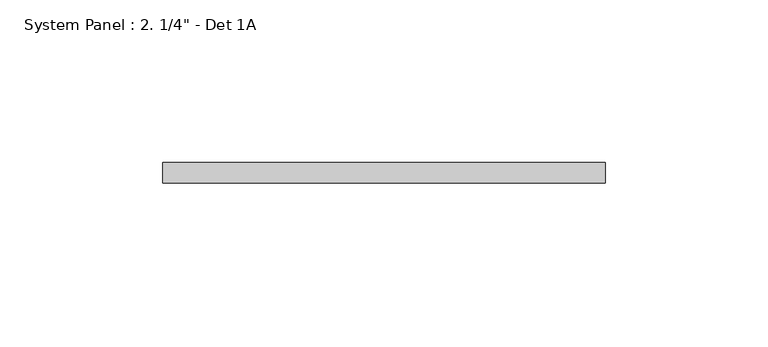
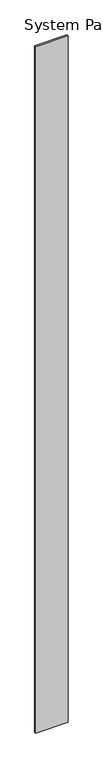
"""IFC4 building model written with IfcOpenShell, lengths in millimetres: plate geometry."""

from ifc_helpers import new_model, si_unit, origin, origin_with_axes, place, context, project, spatial, polyline, outline, extrude, source, transform, mapped, element, save


def plate_a5620159(model_context):
    return source(origin(), model_context, "Body", "SweptSolid", [
        extrude(outline(polyline([(68.1281035, 0.0), (-68.1281035, 0.0), (-68.1281035, 6.35), (68.1281035, 6.35), (68.1281035, 0.0)])), origin_with_axes(), (0.0, 0.0, 1.0), 3048.0),
    ])


if __name__ == "__main__":
    model = new_model("IFC4")
    model_context = context("Model", 3, world=origin())
    ifc_project = project(units=[si_unit("LENGTHUNIT", "METRE", prefix="MILLI")], contexts=[model_context])
    site = spatial("IfcSite", under=ifc_project)
    building = spatial("IfcBuilding", under=site)
    placement = place(None, origin())
    plate_shape = plate_a5620159(model_context)
    element("IfcPlate", 1, ObjectType="System Panel : 2. 1/4\" - Det 1A", at=placement, inside=building, context=model_context, shape_type="MappedRepresentation", body=[
        mapped(plate_shape, transform((0.0, 0.0, 0.0), x_axis=(1.0, 0.0, 0.0), y_axis=(0.0, 1.0, 0.0), z_axis=(0.0, 0.0, 1.0))),
    ])
    save(model, "model.ifc")
